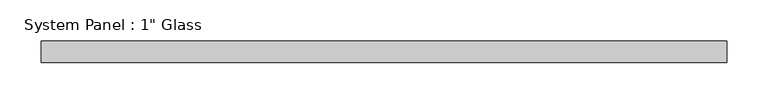
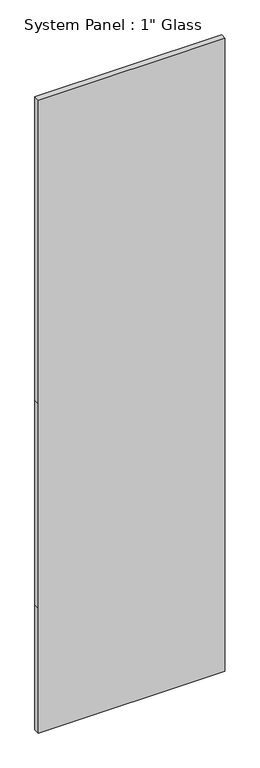
"""IFC4 building model written with IfcOpenShell, lengths in millimetres: plate geometry."""

from ifc_helpers import new_model, si_unit, frame, origin, place, context, project, spatial, polyline, outline, extrude, source, transform, mapped, element, save


def plate_e7fe486b(model_context):
    return source(origin(), model_context, "Body", "SweptSolid", [
        extrude(outline(polyline([(0.0, -412.75), (0.0, 412.75), (584.2, 412.75), (1539.875, 412.75), (2959.1, 412.75), (2959.1, -412.75), (1539.875, -412.75), (584.2, -412.75), (0.0, -412.75)])), frame((0.0, -12.7, 0.0), z_axis=(0.0, 1.0, 0.0), x_axis=(0.0, 0.0, 1.0)), (0.0, 0.0, 1.0), 25.4),
    ])


if __name__ == "__main__":
    model = new_model("IFC4")
    model_context = context("Model", 3, world=origin())
    ifc_project = project(units=[si_unit("LENGTHUNIT", "METRE", prefix="MILLI")], contexts=[model_context])
    site = spatial("IfcSite", under=ifc_project)
    building = spatial("IfcBuilding", under=site)
    placement = place(None, origin())
    plate_shape = plate_e7fe486b(model_context)
    element("IfcPlate", 1, ObjectType="System Panel : 1\" Glass", at=placement, inside=building, context=model_context, shape_type="MappedRepresentation", body=[
        mapped(plate_shape, transform((0.0, 0.0, 0.0), x_axis=(1.0, 0.0, 0.0), y_axis=(0.0, 1.0, 0.0), z_axis=(0.0, 0.0, 1.0))),
    ])
    save(model, "model.ifc")
